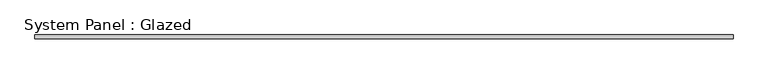
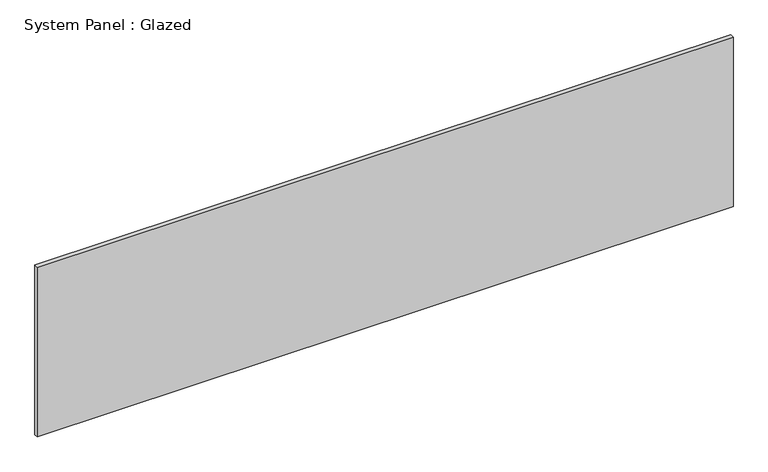
"""IFC4 building model written with IfcOpenShell, lengths in millimetres: plate geometry, System Panel : Glazed."""

import ifcopenshell
import ifcopenshell.guid

model = None  # the IFC model being written
_history = None  # IfcOwnerHistory: only IFC2X3 demands one
_inside = {}  # id of a spatial element -> (the spatial element, [elements in it])
_under = {}  # id of a project, library or spatial element -> (it, [spatial elements below it])
_declared = {}  # id of a project -> (the project, [libraries it declares])
_typed = {}  # id of a type object -> (the type object, [elements of that type])
_made_of = {}  # id of a material, layer set ... -> (it, [elements and type objects made of it])


def new_model(schema):
    """Start an empty IFC model of exactly this schema.

    Asked for "IFC4X3", IfcOpenShell would pick the latest addendum, in which some entities
    have other attributes; the version numbers below select the first issue.
    IFC2X3 requires an IfcOwnerHistory on every rooted entity: one is made here for all.
    """
    global model, _history
    if schema == "IFC4X3":
        model = ifcopenshell.file(schema_version=(4, 3, 0, 0))
    else:
        model = ifcopenshell.file(schema=schema)
    _inside.clear()
    _under.clear()
    _declared.clear()
    _typed.clear()
    _made_of.clear()
    _history = None
    if model.schema == "IFC2X3":
        org = make("IfcOrganization", Name="unknown")
        user = make(
            "IfcPersonAndOrganization",
            ThePerson=make("IfcPerson", FamilyName="unknown"),
            TheOrganization=org,
        )
        app = make(
            "IfcApplication",
            ApplicationDeveloper=org,
            Version="unknown",
            ApplicationFullName="unknown",
            ApplicationIdentifier="unknown",
        )
        _history = make(
            "IfcOwnerHistory",
            OwningUser=user,
            OwningApplication=app,
            ChangeAction="ADDED",
            CreationDate=0,
        )
    return model


def make(cls, **values):
    """One entity of the class cls with the attributes given. An attribute that is None is left unset."""
    return model.create_entity(
        cls, **{name: value for name, value in values.items() if value is not None}
    )


def rooted(cls, **values):
    """An entity with a GlobalId (a new one), such as an element, a storey or a relation."""
    return make(cls, GlobalId=ifcopenshell.guid.new(), OwnerHistory=_history, **values)


def si_unit(unit_type, name, prefix=None):
    """IfcSIUnit, for example si_unit("LENGTHUNIT", "METRE", prefix="MILLI")."""
    return make("IfcSIUnit", UnitType=unit_type, Prefix=prefix, Name=name)


def assignment(units):
    """IfcUnitAssignment: the units of a project."""
    return None if units is None else make("IfcUnitAssignment", Units=units)


def point(xyz):
    """IfcCartesianPoint."""
    return None if xyz is None else make("IfcCartesianPoint", Coordinates=xyz)


def direction(xyz):
    """IfcDirection."""
    return None if xyz is None else make("IfcDirection", DirectionRatios=xyz)


def frame(location, z_axis=None, x_axis=None):
    """IfcAxis2Placement3D, a coordinate frame: its origin and axes. An axis left out is left unset."""
    return make(
        "IfcAxis2Placement3D",
        Location=point(location),
        Axis=direction(z_axis),
        RefDirection=direction(x_axis),
    )


def origin():
    """The frame at (0, 0, 0) with its axes left unset."""
    return frame((0.0, 0.0, 0.0))


def origin_with_axes():
    """The frame at (0, 0, 0) with the z axis (0, 0, 1) and the x axis (1, 0, 0) written out."""
    return frame((0.0, 0.0, 0.0), z_axis=(0.0, 0.0, 1.0), x_axis=(1.0, 0.0, 0.0))


def place(relative_to, where):
    """IfcLocalPlacement: puts the frame where relative to a parent placement (None: the world)."""
    return make(
        "IfcLocalPlacement", PlacementRelTo=relative_to, RelativePlacement=where
    )


def context(
    kind, dimensions, precision=None, world=None, true_north=None, identifier=None
):
    """IfcGeometricRepresentationContext, for example the 3D "Model" context."""
    return make(
        "IfcGeometricRepresentationContext",
        ContextIdentifier=identifier,
        ContextType=kind,
        CoordinateSpaceDimension=dimensions,
        Precision=precision,
        WorldCoordinateSystem=world,
        TrueNorth=true_north,
    )


def project(units=None, contexts=None):
    """IfcProject with its units and contexts."""
    return rooted(
        "IfcProject",
        Name="project",
        RepresentationContexts=contexts,
        UnitsInContext=assignment(units),
    )


def spatial(cls, under=None, at=None, **own):
    """A site, building, storey or space (cls), placed at a placement, below another one or the project."""
    s = rooted(cls, ObjectPlacement=at, **own)
    if under is not None:
        _under.setdefault(under.id(), (under, []))[1].append(s)
    return s


def polyline(points):
    """IfcPolyline through the points."""
    return make("IfcPolyline", Points=[point(p) for p in points])


def outline(outer, holes=None, kind="AREA"):
    """IfcArbitraryClosedProfileDef: a profile drawn as a closed curve; with holes, ...WithVoids."""
    if holes is None:
        return make("IfcArbitraryClosedProfileDef", ProfileType=kind, OuterCurve=outer)
    return make(
        "IfcArbitraryProfileDefWithVoids",
        ProfileType=kind,
        OuterCurve=outer,
        InnerCurves=holes,
    )


def extrude(swept, where, along, depth):
    """IfcExtrudedAreaSolid: the profile swept, set in the frame where, extruded along a direction by depth."""
    return make(
        "IfcExtrudedAreaSolid",
        SweptArea=swept,
        Position=where,
        ExtrudedDirection=direction(along),
        Depth=depth,
    )


def shape(context_of_items, identifier, shape_type, items):
    """IfcShapeRepresentation: the items that make up one representation, for example the "Body"."""
    return make(
        "IfcShapeRepresentation",
        ContextOfItems=context_of_items,
        RepresentationIdentifier=identifier,
        RepresentationType=shape_type,
        Items=items,
    )


def source(mapping_origin, context_of_items, identifier, shape_type, items):
    """IfcRepresentationMap: a shape defined once, which mapped items show again and again."""
    return make(
        "IfcRepresentationMap",
        MappingOrigin=mapping_origin,
        MappedRepresentation=shape(context_of_items, identifier, shape_type, items),
    )


def transform(
    local_origin,
    x_axis=None,
    y_axis=None,
    z_axis=None,
    scale=None,
    scale2=None,
    scale3=None,
    uniform=True,
):
    """IfcCartesianTransformationOperator3D, or its non-uniform kind. x_axis, y_axis, z_axis: its Axis1, 2, 3."""
    if uniform:
        return make(
            "IfcCartesianTransformationOperator3D",
            Axis1=direction(x_axis),
            Axis2=direction(y_axis),
            LocalOrigin=point(local_origin),
            Scale=scale,
            Axis3=direction(z_axis),
        )
    return make(
        "IfcCartesianTransformationOperator3DnonUniform",
        Axis1=direction(x_axis),
        Axis2=direction(y_axis),
        LocalOrigin=point(local_origin),
        Scale=scale,
        Axis3=direction(z_axis),
        Scale2=scale2,
        Scale3=scale3,
    )


def mapped(mapping_source, mapping_target):
    """IfcMappedItem: shows the shape of a source again, moved by a transform."""
    return make(
        "IfcMappedItem", MappingSource=mapping_source, MappingTarget=mapping_target
    )


def made_of(thing, what):
    """Note that an element or type object is made of a material, layer set ...; save() writes the relation."""
    if what is not None:
        _made_of.setdefault(what.id(), (what, []))[1].append(thing)
    return thing


def element(
    cls,
    number,
    at=None,
    inside=None,
    cuts=None,
    type_object=None,
    material=None,
    context=None,
    identifier="Body",
    shape_type=None,
    held_by="IfcProductDefinitionShape",
    body=None,
    shapes=None,
    **own,
):
    """One element of the class cls, such as IfcWall. Its Tag is "e" and its number.

    at: its placement. inside: the storey or other place that contains it. cuts: it is an
    opening in that element (IfcRelVoidsElement). A single representation is given by context,
    identifier, shape_type and body (its items); several are given by shapes. held_by: the class
    of the entity that holds the representations. save() writes the other relations.
    """
    e = rooted(cls, Tag="e%d" % number, ObjectPlacement=at, **own)
    if body is not None:
        shapes = [shape(context, identifier, shape_type, body)]
    if shapes is not None:
        e.Representation = make(held_by, Representations=shapes)
    if inside is not None:
        _inside.setdefault(inside.id(), (inside, []))[1].append(e)
    if cuts is not None:
        rooted(
            "IfcRelVoidsElement", RelatingBuildingElement=cuts, RelatedOpeningElement=e
        )
    if type_object is not None:
        _typed.setdefault(type_object.id(), (type_object, []))[1].append(e)
    return made_of(e, material)


def aggregate(whole, parts):
    """IfcRelAggregates: a whole, such as a stair, and the parts it consists of."""
    return rooted("IfcRelAggregates", RelatingObject=whole, RelatedObjects=parts)


def save(model, path):
    """Write the relations noted so far, then the file.

    IfcRelAggregates (storeys below a building ...), IfcRelContainedInSpatialStructure (elements
    in a storey), IfcRelDefinesByType, IfcRelAssociatesMaterial and IfcRelDeclares: one each for
    every whole, place, type object, material and project.
    """
    for whole, parts in _under.values():
        aggregate(whole, parts)
    for where, things in _inside.values():
        rooted(
            "IfcRelContainedInSpatialStructure",
            RelatedElements=things,
            RelatingStructure=where,
        )
    for kind, things in _typed.values():
        rooted("IfcRelDefinesByType", RelatedObjects=things, RelatingType=kind)
    for what, things in _made_of.values():
        rooted("IfcRelAssociatesMaterial", RelatedObjects=things, RelatingMaterial=what)
    for by, libraries in _declared.values():
        rooted("IfcRelDeclares", RelatingContext=by, RelatedDefinitions=libraries)
    model.write(path)


def system_panel_glazed_d7ce9c64(model_context):
    return source(origin(), model_context, "Body", "SweptSolid", [
        extrude(outline(polyline([(2241.55, 19.05), (-2241.55, 19.05), (-2241.55, 44.45), (2241.55, 44.45), (2241.55, 19.05)])), origin_with_axes(), (0.0, 0.0, 1.0), 1155.7),
    ])


if __name__ == "__main__":
    model = new_model("IFC4")
    model_context = context("Model", 3, world=origin())
    ifc_project = project(units=[si_unit("LENGTHUNIT", "METRE", prefix="MILLI")], contexts=[model_context])
    site = spatial("IfcSite", under=ifc_project)
    building = spatial("IfcBuilding", under=site)
    placement = place(None, origin())
    system_panel_glazed_shape = system_panel_glazed_d7ce9c64(model_context)
    element("IfcPlate", 1, ObjectType="System Panel : Glazed", at=placement, inside=building, context=model_context, shape_type="MappedRepresentation", body=[
        mapped(system_panel_glazed_shape, transform((0.0, 0.0, 0.0), x_axis=(1.0, 0.0, 0.0), y_axis=(0.0, 1.0, 0.0), z_axis=(0.0, 0.0, 1.0))),
    ])
    save(model, "model.ifc")
